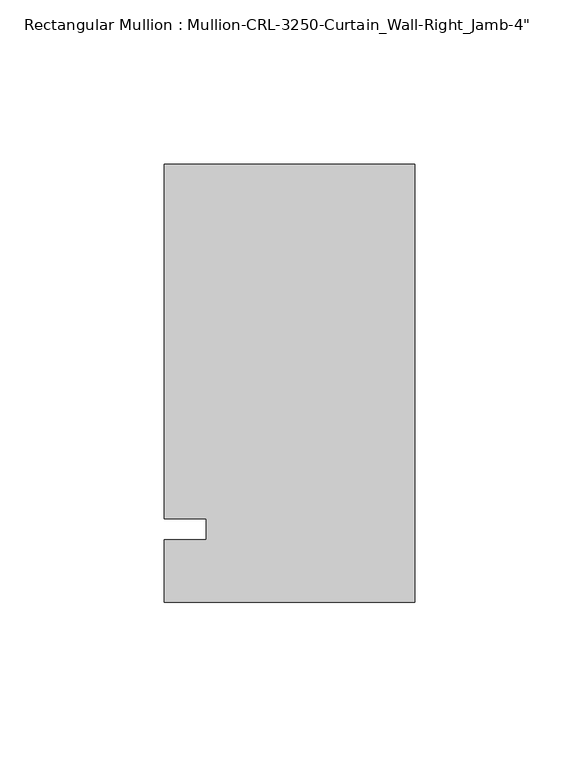
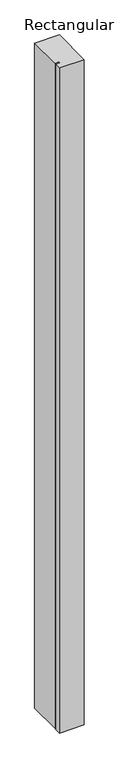
"""IFC4 building model written with IfcOpenShell, lengths in millimetres: member geometry."""

from ifc_helpers import new_model, si_unit, frame, origin, place, context, project, spatial, polyline, outline, extrude, source, transform, mapped, element, save


def member_8ff2f02b(model_context):
    return source(origin(), model_context, "Body", "SweptSolid", [
        extrude(outline(polyline([(0.0, -22.2254168), (-76.199997, -22.2254168), (-76.199997, -3.175), (-63.499997, -3.175), (-63.499997, 3.175), (-76.199997, 3.175), (-76.199997, 111.1245832), (0.0, 111.1245832), (0.0, -22.2254168)])), frame((0.0, 0.0, -2178.05), z_axis=(0.0, 0.0, 1.0), x_axis=(1.0, 0.0, 0.0)), (0.0, 0.0, 1.0), 2178.05),
    ])


if __name__ == "__main__":
    model = new_model("IFC4")
    model_context = context("Model", 3, world=origin())
    ifc_project = project(units=[si_unit("LENGTHUNIT", "METRE", prefix="MILLI")], contexts=[model_context])
    site = spatial("IfcSite", under=ifc_project)
    building = spatial("IfcBuilding", under=site)
    placement = place(None, origin())
    member_shape = member_8ff2f02b(model_context)
    element("IfcMember", 1, ObjectType="Rectangular Mullion : Mullion-CRL-3250-Curtain_Wall-Right_Jamb-4\"", at=placement, inside=building, context=model_context, shape_type="MappedRepresentation", body=[
        mapped(member_shape, transform((0.0, 0.0, 0.0), x_axis=(1.0, 0.0, 0.0), y_axis=(0.0, 1.0, 0.0), z_axis=(0.0, 0.0, 1.0))),
    ])
    save(model, "model.ifc")
